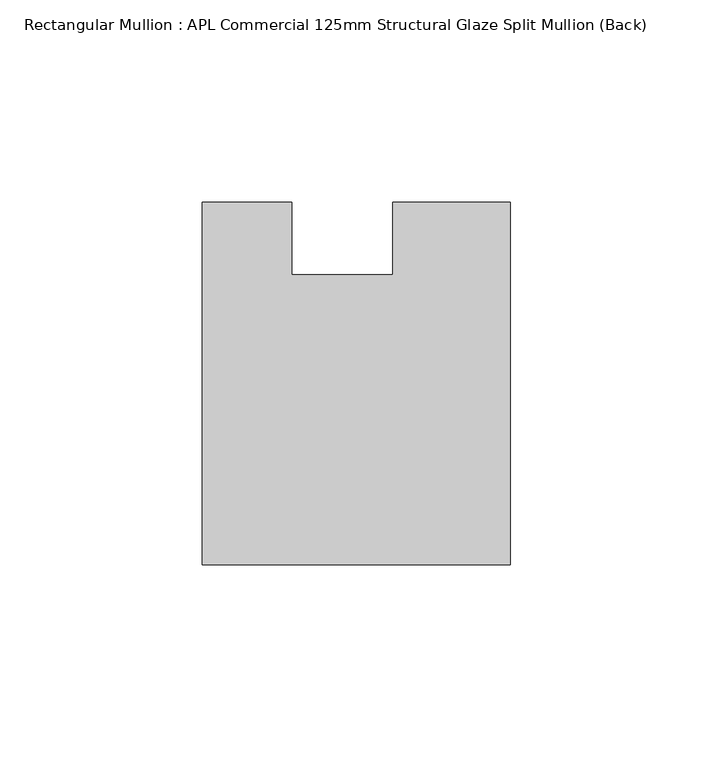
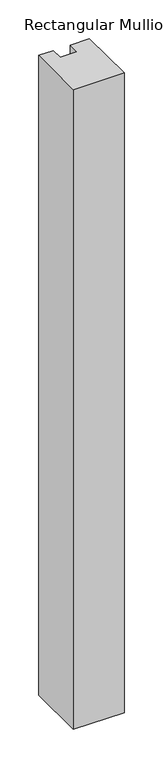
"""IFC4 building model written with IfcOpenShell, lengths in millimetres: member geometry, Rectangular Mullion : APL Commercial 125mm Structural Glaze Split Mullion (Back)."""

import ifcopenshell
import ifcopenshell.guid

model = None  # the IFC model being written
_history = None  # IfcOwnerHistory: only IFC2X3 demands one
_inside = {}  # id of a spatial element -> (the spatial element, [elements in it])
_under = {}  # id of a project, library or spatial element -> (it, [spatial elements below it])
_declared = {}  # id of a project -> (the project, [libraries it declares])
_typed = {}  # id of a type object -> (the type object, [elements of that type])
_made_of = {}  # id of a material, layer set ... -> (it, [elements and type objects made of it])


def new_model(schema):
    """Start an empty IFC model of exactly this schema.

    Asked for "IFC4X3", IfcOpenShell would pick the latest addendum, in which some entities
    have other attributes; the version numbers below select the first issue.
    IFC2X3 requires an IfcOwnerHistory on every rooted entity: one is made here for all.
    """
    global model, _history
    if schema == "IFC4X3":
        model = ifcopenshell.file(schema_version=(4, 3, 0, 0))
    else:
        model = ifcopenshell.file(schema=schema)
    _inside.clear()
    _under.clear()
    _declared.clear()
    _typed.clear()
    _made_of.clear()
    _history = None
    if model.schema == "IFC2X3":
        org = make("IfcOrganization", Name="unknown")
        user = make(
            "IfcPersonAndOrganization",
            ThePerson=make("IfcPerson", FamilyName="unknown"),
            TheOrganization=org,
        )
        app = make(
            "IfcApplication",
            ApplicationDeveloper=org,
            Version="unknown",
            ApplicationFullName="unknown",
            ApplicationIdentifier="unknown",
        )
        _history = make(
            "IfcOwnerHistory",
            OwningUser=user,
            OwningApplication=app,
            ChangeAction="ADDED",
            CreationDate=0,
        )
    return model


def make(cls, **values):
    """One entity of the class cls with the attributes given. An attribute that is None is left unset."""
    return model.create_entity(
        cls, **{name: value for name, value in values.items() if value is not None}
    )


def rooted(cls, **values):
    """An entity with a GlobalId (a new one), such as an element, a storey or a relation."""
    return make(cls, GlobalId=ifcopenshell.guid.new(), OwnerHistory=_history, **values)


def si_unit(unit_type, name, prefix=None):
    """IfcSIUnit, for example si_unit("LENGTHUNIT", "METRE", prefix="MILLI")."""
    return make("IfcSIUnit", UnitType=unit_type, Prefix=prefix, Name=name)


def assignment(units):
    """IfcUnitAssignment: the units of a project."""
    return None if units is None else make("IfcUnitAssignment", Units=units)


def point(xyz):
    """IfcCartesianPoint."""
    return None if xyz is None else make("IfcCartesianPoint", Coordinates=xyz)


def direction(xyz):
    """IfcDirection."""
    return None if xyz is None else make("IfcDirection", DirectionRatios=xyz)


def frame(location, z_axis=None, x_axis=None):
    """IfcAxis2Placement3D, a coordinate frame: its origin and axes. An axis left out is left unset."""
    return make(
        "IfcAxis2Placement3D",
        Location=point(location),
        Axis=direction(z_axis),
        RefDirection=direction(x_axis),
    )


def origin():
    """The frame at (0, 0, 0) with its axes left unset."""
    return frame((0.0, 0.0, 0.0))


def place(relative_to, where):
    """IfcLocalPlacement: puts the frame where relative to a parent placement (None: the world)."""
    return make(
        "IfcLocalPlacement", PlacementRelTo=relative_to, RelativePlacement=where
    )


def context(
    kind, dimensions, precision=None, world=None, true_north=None, identifier=None
):
    """IfcGeometricRepresentationContext, for example the 3D "Model" context."""
    return make(
        "IfcGeometricRepresentationContext",
        ContextIdentifier=identifier,
        ContextType=kind,
        CoordinateSpaceDimension=dimensions,
        Precision=precision,
        WorldCoordinateSystem=world,
        TrueNorth=true_north,
    )


def project(units=None, contexts=None):
    """IfcProject with its units and contexts."""
    return rooted(
        "IfcProject",
        Name="project",
        RepresentationContexts=contexts,
        UnitsInContext=assignment(units),
    )


def spatial(cls, under=None, at=None, **own):
    """A site, building, storey or space (cls), placed at a placement, below another one or the project."""
    s = rooted(cls, ObjectPlacement=at, **own)
    if under is not None:
        _under.setdefault(under.id(), (under, []))[1].append(s)
    return s


def polyline(points):
    """IfcPolyline through the points."""
    return make("IfcPolyline", Points=[point(p) for p in points])


def outline(outer, holes=None, kind="AREA"):
    """IfcArbitraryClosedProfileDef: a profile drawn as a closed curve; with holes, ...WithVoids."""
    if holes is None:
        return make("IfcArbitraryClosedProfileDef", ProfileType=kind, OuterCurve=outer)
    return make(
        "IfcArbitraryProfileDefWithVoids",
        ProfileType=kind,
        OuterCurve=outer,
        InnerCurves=holes,
    )


def extrude(swept, where, along, depth):
    """IfcExtrudedAreaSolid: the profile swept, set in the frame where, extruded along a direction by depth."""
    return make(
        "IfcExtrudedAreaSolid",
        SweptArea=swept,
        Position=where,
        ExtrudedDirection=direction(along),
        Depth=depth,
    )


def shape(context_of_items, identifier, shape_type, items):
    """IfcShapeRepresentation: the items that make up one representation, for example the "Body"."""
    return make(
        "IfcShapeRepresentation",
        ContextOfItems=context_of_items,
        RepresentationIdentifier=identifier,
        RepresentationType=shape_type,
        Items=items,
    )


def source(mapping_origin, context_of_items, identifier, shape_type, items):
    """IfcRepresentationMap: a shape defined once, which mapped items show again and again."""
    return make(
        "IfcRepresentationMap",
        MappingOrigin=mapping_origin,
        MappedRepresentation=shape(context_of_items, identifier, shape_type, items),
    )


def transform(
    local_origin,
    x_axis=None,
    y_axis=None,
    z_axis=None,
    scale=None,
    scale2=None,
    scale3=None,
    uniform=True,
):
    """IfcCartesianTransformationOperator3D, or its non-uniform kind. x_axis, y_axis, z_axis: its Axis1, 2, 3."""
    if uniform:
        return make(
            "IfcCartesianTransformationOperator3D",
            Axis1=direction(x_axis),
            Axis2=direction(y_axis),
            LocalOrigin=point(local_origin),
            Scale=scale,
            Axis3=direction(z_axis),
        )
    return make(
        "IfcCartesianTransformationOperator3DnonUniform",
        Axis1=direction(x_axis),
        Axis2=direction(y_axis),
        LocalOrigin=point(local_origin),
        Scale=scale,
        Axis3=direction(z_axis),
        Scale2=scale2,
        Scale3=scale3,
    )


def mapped(mapping_source, mapping_target):
    """IfcMappedItem: shows the shape of a source again, moved by a transform."""
    return make(
        "IfcMappedItem", MappingSource=mapping_source, MappingTarget=mapping_target
    )


def made_of(thing, what):
    """Note that an element or type object is made of a material, layer set ...; save() writes the relation."""
    if what is not None:
        _made_of.setdefault(what.id(), (what, []))[1].append(thing)
    return thing


def element(
    cls,
    number,
    at=None,
    inside=None,
    cuts=None,
    type_object=None,
    material=None,
    context=None,
    identifier="Body",
    shape_type=None,
    held_by="IfcProductDefinitionShape",
    body=None,
    shapes=None,
    **own,
):
    """One element of the class cls, such as IfcWall. Its Tag is "e" and its number.

    at: its placement. inside: the storey or other place that contains it. cuts: it is an
    opening in that element (IfcRelVoidsElement). A single representation is given by context,
    identifier, shape_type and body (its items); several are given by shapes. held_by: the class
    of the entity that holds the representations. save() writes the other relations.
    """
    e = rooted(cls, Tag="e%d" % number, ObjectPlacement=at, **own)
    if body is not None:
        shapes = [shape(context, identifier, shape_type, body)]
    if shapes is not None:
        e.Representation = make(held_by, Representations=shapes)
    if inside is not None:
        _inside.setdefault(inside.id(), (inside, []))[1].append(e)
    if cuts is not None:
        rooted(
            "IfcRelVoidsElement", RelatingBuildingElement=cuts, RelatedOpeningElement=e
        )
    if type_object is not None:
        _typed.setdefault(type_object.id(), (type_object, []))[1].append(e)
    return made_of(e, material)


def aggregate(whole, parts):
    """IfcRelAggregates: a whole, such as a stair, and the parts it consists of."""
    return rooted("IfcRelAggregates", RelatingObject=whole, RelatedObjects=parts)


def save(model, path):
    """Write the relations noted so far, then the file.

    IfcRelAggregates (storeys below a building ...), IfcRelContainedInSpatialStructure (elements
    in a storey), IfcRelDefinesByType, IfcRelAssociatesMaterial and IfcRelDeclares: one each for
    every whole, place, type object, material and project.
    """
    for whole, parts in _under.values():
        aggregate(whole, parts)
    for where, things in _inside.values():
        rooted(
            "IfcRelContainedInSpatialStructure",
            RelatedElements=things,
            RelatingStructure=where,
        )
    for kind, things in _typed.values():
        rooted("IfcRelDefinesByType", RelatedObjects=things, RelatingType=kind)
    for what, things in _made_of.values():
        rooted("IfcRelAssociatesMaterial", RelatedObjects=things, RelatingMaterial=what)
    for by, libraries in _declared.values():
        rooted("IfcRelDeclares", RelatingContext=by, RelatedDefinitions=libraries)
    model.write(path)


def rectangular_mullion_apl_commercial_125mm_structural_glaze_e4f5d315(model_context):
    return source(origin(), model_context, "Body", "SweptSolid", [
        extrude(outline(polyline([(37.9999914, -104.4960123), (-37.9999896, -104.4960123), (-37.9999896, -14.9960123), (-16.0, -14.9960123), (-16.0, -32.7960123), (9.0, -32.7960123), (9.0, -14.9960123), (37.9999914, -14.9960123), (37.9999914, -104.4960123)])), frame((0.0, 0.0, -1010.8287902), z_axis=(0.0, 0.0, 1.0), x_axis=(1.0, 0.0, 0.0)), (0.0, 0.0, 1.0), 1010.8287902),
    ])


if __name__ == "__main__":
    model = new_model("IFC4")
    model_context = context("Model", 3, world=origin())
    ifc_project = project(units=[si_unit("LENGTHUNIT", "METRE", prefix="MILLI")], contexts=[model_context])
    site = spatial("IfcSite", under=ifc_project)
    building = spatial("IfcBuilding", under=site)
    placement = place(None, origin())
    rectangular_mullion_apl_commercial_125mm_structural_glaze_shape = rectangular_mullion_apl_commercial_125mm_structural_glaze_e4f5d315(model_context)
    element("IfcMember", 1, ObjectType="Rectangular Mullion : APL Commercial 125mm Structural Glaze Split Mullion (Back)", at=placement, inside=building, context=model_context, shape_type="MappedRepresentation", body=[
        mapped(rectangular_mullion_apl_commercial_125mm_structural_glaze_shape, transform((0.0, 0.0, 0.0), x_axis=(1.0, 0.0, 0.0), y_axis=(0.0, 1.0, 0.0), z_axis=(0.0, 0.0, 1.0))),
    ])
    save(model, "model.ifc")
